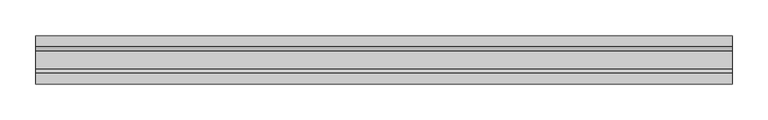
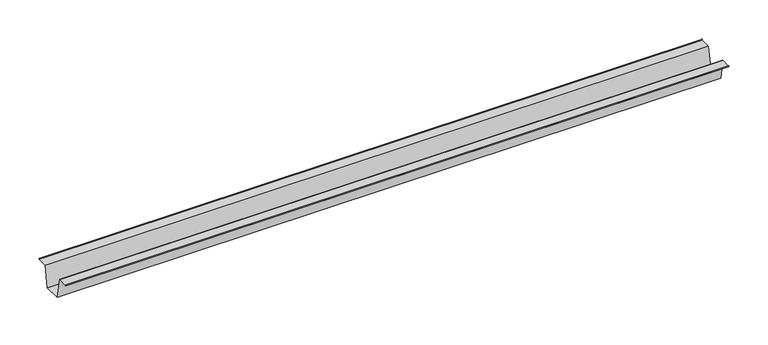
"""IFC4 building model written with IfcOpenShell, lengths in millimetres: furniture geometry."""

from ifc_helpers import new_model, si_unit, origin, place, context, project, spatial, triangles, source, transform, mapped, element, save


def furniture_0f9b2745(model_context):
    return source(origin(), model_context, "Body", "Tessellation", [
        triangles([(0.0, -18.2626003, -1.524), (0.0, -12.7000004, -32.9691994), (980.4400097, -12.7000004, -32.9691994), (980.4400097, -18.2626003, -1.524), (0.0, 12.7000004, -32.9691994), (0.0, 18.2626003, -1.524), (980.4400097, 18.2626003, -1.524), (980.4400097, 12.7000004, -32.9691994), (0.0, -34.1629992, 0.0), (0.0, -34.1629992, -1.524), (980.4400097, -34.1629992, -1.524), (980.4400097, -34.1629992, 0.0), (0.0, 34.1629992, -1.524), (980.4400097, 34.1629992, -1.524), (0.0, 34.1629992, 0.0), (980.4400097, 34.1629992, 0.0)], [[1, 2, 3], [1, 3, 4], [5, 6, 7], [5, 7, 8], [5, 8, 3], [5, 3, 2], [9, 10, 11], [9, 11, 12], [1, 4, 11], [1, 11, 10], [13, 14, 7], [13, 7, 6], [13, 15, 16], [13, 16, 14]], closed=False),
    ])


if __name__ == "__main__":
    model = new_model("IFC4")
    model_context = context("Model", 3, world=origin())
    ifc_project = project(units=[si_unit("LENGTHUNIT", "METRE", prefix="MILLI")], contexts=[model_context])
    site = spatial("IfcSite", under=ifc_project)
    building = spatial("IfcBuilding", under=site)
    placement = place(None, origin())
    furniture_shape = furniture_0f9b2745(model_context)
    element("IfcFurniture", 1, at=placement, inside=building, context=model_context, shape_type="MappedRepresentation", body=[
        mapped(furniture_shape, transform((0.0, 0.0, 0.0), x_axis=(1.0, 0.0, 0.0), y_axis=(0.0, 1.0, 0.0), z_axis=(0.0, 0.0, 1.0))),
    ])
    save(model, "model.ifc")
